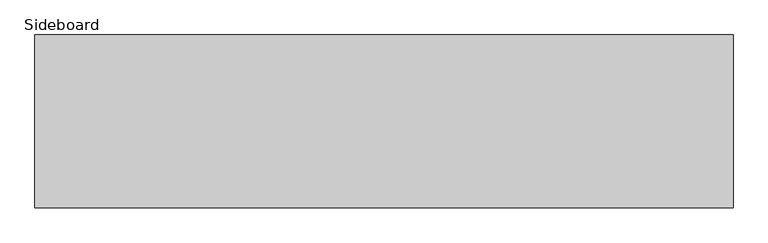
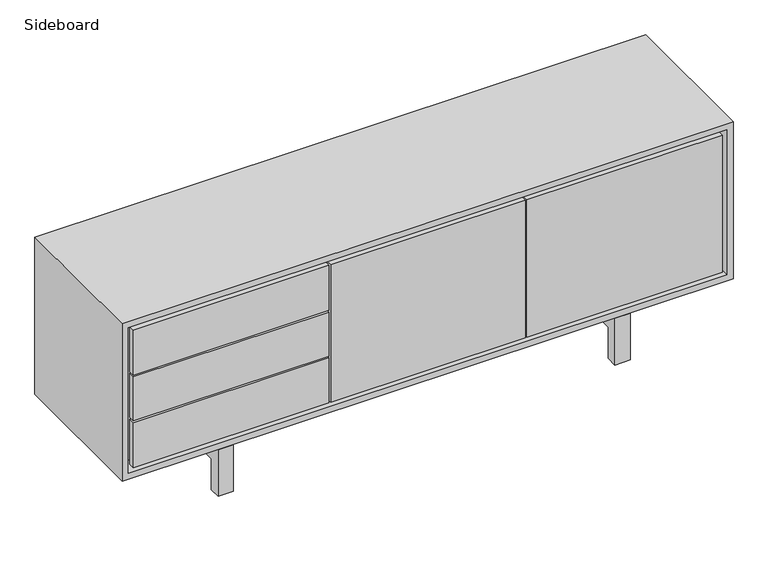
"""IFC4 building model written with IfcOpenShell, lengths in millimetres: furniture geometry, Sideboard."""

import ifcopenshell
import ifcopenshell.guid

model = None  # the IFC model being written
_history = None  # IfcOwnerHistory: only IFC2X3 demands one
_inside = {}  # id of a spatial element -> (the spatial element, [elements in it])
_under = {}  # id of a project, library or spatial element -> (it, [spatial elements below it])
_declared = {}  # id of a project -> (the project, [libraries it declares])
_typed = {}  # id of a type object -> (the type object, [elements of that type])
_made_of = {}  # id of a material, layer set ... -> (it, [elements and type objects made of it])


def new_model(schema):
    """Start an empty IFC model of exactly this schema.

    Asked for "IFC4X3", IfcOpenShell would pick the latest addendum, in which some entities
    have other attributes; the version numbers below select the first issue.
    IFC2X3 requires an IfcOwnerHistory on every rooted entity: one is made here for all.
    """
    global model, _history
    if schema == "IFC4X3":
        model = ifcopenshell.file(schema_version=(4, 3, 0, 0))
    else:
        model = ifcopenshell.file(schema=schema)
    _inside.clear()
    _under.clear()
    _declared.clear()
    _typed.clear()
    _made_of.clear()
    _history = None
    if model.schema == "IFC2X3":
        org = make("IfcOrganization", Name="unknown")
        user = make(
            "IfcPersonAndOrganization",
            ThePerson=make("IfcPerson", FamilyName="unknown"),
            TheOrganization=org,
        )
        app = make(
            "IfcApplication",
            ApplicationDeveloper=org,
            Version="unknown",
            ApplicationFullName="unknown",
            ApplicationIdentifier="unknown",
        )
        _history = make(
            "IfcOwnerHistory",
            OwningUser=user,
            OwningApplication=app,
            ChangeAction="ADDED",
            CreationDate=0,
        )
    return model


def make(cls, **values):
    """One entity of the class cls with the attributes given. An attribute that is None is left unset."""
    return model.create_entity(
        cls, **{name: value for name, value in values.items() if value is not None}
    )


def rooted(cls, **values):
    """An entity with a GlobalId (a new one), such as an element, a storey or a relation."""
    return make(cls, GlobalId=ifcopenshell.guid.new(), OwnerHistory=_history, **values)


def si_unit(unit_type, name, prefix=None):
    """IfcSIUnit, for example si_unit("LENGTHUNIT", "METRE", prefix="MILLI")."""
    return make("IfcSIUnit", UnitType=unit_type, Prefix=prefix, Name=name)


def assignment(units):
    """IfcUnitAssignment: the units of a project."""
    return None if units is None else make("IfcUnitAssignment", Units=units)


def point(xyz):
    """IfcCartesianPoint."""
    return None if xyz is None else make("IfcCartesianPoint", Coordinates=xyz)


def direction(xyz):
    """IfcDirection."""
    return None if xyz is None else make("IfcDirection", DirectionRatios=xyz)


def frame(location, z_axis=None, x_axis=None):
    """IfcAxis2Placement3D, a coordinate frame: its origin and axes. An axis left out is left unset."""
    return make(
        "IfcAxis2Placement3D",
        Location=point(location),
        Axis=direction(z_axis),
        RefDirection=direction(x_axis),
    )


def origin():
    """The frame at (0, 0, 0) with its axes left unset."""
    return frame((0.0, 0.0, 0.0))


def place(relative_to, where):
    """IfcLocalPlacement: puts the frame where relative to a parent placement (None: the world)."""
    return make(
        "IfcLocalPlacement", PlacementRelTo=relative_to, RelativePlacement=where
    )


def context(
    kind, dimensions, precision=None, world=None, true_north=None, identifier=None
):
    """IfcGeometricRepresentationContext, for example the 3D "Model" context."""
    return make(
        "IfcGeometricRepresentationContext",
        ContextIdentifier=identifier,
        ContextType=kind,
        CoordinateSpaceDimension=dimensions,
        Precision=precision,
        WorldCoordinateSystem=world,
        TrueNorth=true_north,
    )


def project(units=None, contexts=None):
    """IfcProject with its units and contexts."""
    return rooted(
        "IfcProject",
        Name="project",
        RepresentationContexts=contexts,
        UnitsInContext=assignment(units),
    )


def spatial(cls, under=None, at=None, **own):
    """A site, building, storey or space (cls), placed at a placement, below another one or the project."""
    s = rooted(cls, ObjectPlacement=at, **own)
    if under is not None:
        _under.setdefault(under.id(), (under, []))[1].append(s)
    return s


def polyline(points):
    """IfcPolyline through the points."""
    return make("IfcPolyline", Points=[point(p) for p in points])


def outline(outer, holes=None, kind="AREA"):
    """IfcArbitraryClosedProfileDef: a profile drawn as a closed curve; with holes, ...WithVoids."""
    if holes is None:
        return make("IfcArbitraryClosedProfileDef", ProfileType=kind, OuterCurve=outer)
    return make(
        "IfcArbitraryProfileDefWithVoids",
        ProfileType=kind,
        OuterCurve=outer,
        InnerCurves=holes,
    )


def extrude(swept, where, along, depth):
    """IfcExtrudedAreaSolid: the profile swept, set in the frame where, extruded along a direction by depth."""
    return make(
        "IfcExtrudedAreaSolid",
        SweptArea=swept,
        Position=where,
        ExtrudedDirection=direction(along),
        Depth=depth,
    )


def faces_of(points, faces, orient=None, outer=None):
    """IfcFace entities. A face is a list of loops; a loop is a list of indices into points, from 0.

    orient and outer hold one flag for each loop. By default every Orientation is true, the
    first loop of a face is its IfcFaceOuterBound and the others are IfcFaceBound.
    """
    made = []
    for i, loops in enumerate(faces):
        bounds = []
        for j, loop in enumerate(loops):
            is_outer = j == 0 if outer is None else outer[i][j]
            bounds.append(
                make(
                    "IfcFaceOuterBound" if is_outer else "IfcFaceBound",
                    Bound=make("IfcPolyLoop", Polygon=[points[k] for k in loop]),
                    Orientation=True if orient is None else orient[i][j],
                )
            )
        made.append(make("IfcFace", Bounds=bounds))
    return made


def faceted_brep(points, faces, orient=None, outer=None, voids=None):
    """IfcFacetedBrep: a solid bounded by flat faces; with voids (closed shells), ...WithVoids."""
    shared = [point(p) for p in points]
    hull = make("IfcClosedShell", CfsFaces=faces_of(shared, faces, orient, outer))
    if voids is None:
        return make("IfcFacetedBrep", Outer=hull)
    return make(
        "IfcFacetedBrepWithVoids",
        Outer=hull,
        Voids=[
            make(cls, CfsFaces=faces_of(shared, fs, o, b)) for cls, fs, o, b in voids
        ],
    )


def shape(context_of_items, identifier, shape_type, items):
    """IfcShapeRepresentation: the items that make up one representation, for example the "Body"."""
    return make(
        "IfcShapeRepresentation",
        ContextOfItems=context_of_items,
        RepresentationIdentifier=identifier,
        RepresentationType=shape_type,
        Items=items,
    )


def source(mapping_origin, context_of_items, identifier, shape_type, items):
    """IfcRepresentationMap: a shape defined once, which mapped items show again and again."""
    return make(
        "IfcRepresentationMap",
        MappingOrigin=mapping_origin,
        MappedRepresentation=shape(context_of_items, identifier, shape_type, items),
    )


def transform(
    local_origin,
    x_axis=None,
    y_axis=None,
    z_axis=None,
    scale=None,
    scale2=None,
    scale3=None,
    uniform=True,
):
    """IfcCartesianTransformationOperator3D, or its non-uniform kind. x_axis, y_axis, z_axis: its Axis1, 2, 3."""
    if uniform:
        return make(
            "IfcCartesianTransformationOperator3D",
            Axis1=direction(x_axis),
            Axis2=direction(y_axis),
            LocalOrigin=point(local_origin),
            Scale=scale,
            Axis3=direction(z_axis),
        )
    return make(
        "IfcCartesianTransformationOperator3DnonUniform",
        Axis1=direction(x_axis),
        Axis2=direction(y_axis),
        LocalOrigin=point(local_origin),
        Scale=scale,
        Axis3=direction(z_axis),
        Scale2=scale2,
        Scale3=scale3,
    )


def mapped(mapping_source, mapping_target):
    """IfcMappedItem: shows the shape of a source again, moved by a transform."""
    return make(
        "IfcMappedItem", MappingSource=mapping_source, MappingTarget=mapping_target
    )


def made_of(thing, what):
    """Note that an element or type object is made of a material, layer set ...; save() writes the relation."""
    if what is not None:
        _made_of.setdefault(what.id(), (what, []))[1].append(thing)
    return thing


def element(
    cls,
    number,
    at=None,
    inside=None,
    cuts=None,
    type_object=None,
    material=None,
    context=None,
    identifier="Body",
    shape_type=None,
    held_by="IfcProductDefinitionShape",
    body=None,
    shapes=None,
    **own,
):
    """One element of the class cls, such as IfcWall. Its Tag is "e" and its number.

    at: its placement. inside: the storey or other place that contains it. cuts: it is an
    opening in that element (IfcRelVoidsElement). A single representation is given by context,
    identifier, shape_type and body (its items); several are given by shapes. held_by: the class
    of the entity that holds the representations. save() writes the other relations.
    """
    e = rooted(cls, Tag="e%d" % number, ObjectPlacement=at, **own)
    if body is not None:
        shapes = [shape(context, identifier, shape_type, body)]
    if shapes is not None:
        e.Representation = make(held_by, Representations=shapes)
    if inside is not None:
        _inside.setdefault(inside.id(), (inside, []))[1].append(e)
    if cuts is not None:
        rooted(
            "IfcRelVoidsElement", RelatingBuildingElement=cuts, RelatedOpeningElement=e
        )
    if type_object is not None:
        _typed.setdefault(type_object.id(), (type_object, []))[1].append(e)
    return made_of(e, material)


def aggregate(whole, parts):
    """IfcRelAggregates: a whole, such as a stair, and the parts it consists of."""
    return rooted("IfcRelAggregates", RelatingObject=whole, RelatedObjects=parts)


def save(model, path):
    """Write the relations noted so far, then the file.

    IfcRelAggregates (storeys below a building ...), IfcRelContainedInSpatialStructure (elements
    in a storey), IfcRelDefinesByType, IfcRelAssociatesMaterial and IfcRelDeclares: one each for
    every whole, place, type object, material and project.
    """
    for whole, parts in _under.values():
        aggregate(whole, parts)
    for where, things in _inside.values():
        rooted(
            "IfcRelContainedInSpatialStructure",
            RelatedElements=things,
            RelatingStructure=where,
        )
    for kind, things in _typed.values():
        rooted("IfcRelDefinesByType", RelatedObjects=things, RelatingType=kind)
    for what, things in _made_of.values():
        rooted("IfcRelAssociatesMaterial", RelatedObjects=things, RelatingMaterial=what)
    for by, libraries in _declared.values():
        rooted("IfcRelDeclares", RelatingContext=by, RelatedDefinitions=libraries)
    model.write(path)


def sideboard_ccc5f632(model_context):
    return source(origin(), model_context, "Body", "SolidModel", [
        extrude(outline(polyline([(1640.1851529, -210.0201924), (1640.1851529, -260.8201924), (379.1148471, -260.8201924), (379.1148471, -210.0201924), (1640.1851529, -210.0201924)])), frame((0.0, 0.0, 109.3614115), z_axis=(0.0, 0.0, 1.0), x_axis=(1.0, 0.0, 0.0)), (0.0, 0.0, 1.0), 71.8608662),
        extrude(outline(polyline([(0.0, 163.750688), (0.0, 0.0), (-38.1, 0.0), (-38.1, 109.3614115), (-442.151863, 109.3614115), (-442.151863, 0.0), (-480.251863, 0.0), (-480.251863, 163.750688), (-265.4060231, 163.750688), (-265.4060231, 181.2222778), (-214.8458172, 181.2222778), (-214.8458172, 163.750688), (0.0, 163.750688)])), frame((1640.1851529, 0.0, 0.0), z_axis=(1.0, 0.0, 0.0), x_axis=(0.0, 1.0, 0.0)), (0.0, 0.0, 1.0), 50.8),
        extrude(outline(polyline([(0.0, 163.750688), (0.0, 0.0), (-38.1, 0.0), (-38.1, 109.3614115), (-442.151863, 109.3614115), (-442.151863, 0.0), (-480.251863, 0.0), (-480.251863, 163.750688), (-265.4060231, 163.750688), (-265.4060231, 181.2222778), (-214.8458172, 181.2222778), (-214.8458172, 163.750688), (0.0, 163.750688)])), frame((328.3148471, 0.0, 0.0), z_axis=(1.0, 0.0, 0.0), x_axis=(0.0, 1.0, 0.0)), (0.0, 0.0, 1.0), 50.8),
        extrude(outline(polyline([(1983.9148993, -500.38), (1337.6592858, -500.38), (1337.6592858, -480.1024199), (1983.9148993, -480.1024199), (1983.9148993, -500.38)])), frame((0.0, 0.0, 215.5424758), z_axis=(0.0, 0.0, 1.0), x_axis=(1.0, 0.0, 0.0)), (0.0, 0.0, 1.0), 480.1372264),
        extrude(outline(polyline([(682.5839383, -500.38), (36.3057983, -500.38), (36.3057983, -480.1024199), (682.5839383, -480.1024199), (682.5839383, -500.38)])), frame((0.0, 0.0, 538.4127028), z_axis=(0.0, 0.0, 1.0), x_axis=(1.0, 0.0, 0.0)), (0.0, 0.0, 1.0), 157.2669994),
        extrude(outline(polyline([(682.5839383, -500.38), (36.3057983, -500.38), (36.3057983, -480.1024199), (682.5839383, -480.1024199), (682.5839383, -500.38)])), frame((0.0, 0.0, 378.3668758), z_axis=(0.0, 0.0, 1.0), x_axis=(1.0, 0.0, 0.0)), (0.0, 0.0, 1.0), 154.488499),
        extrude(outline(polyline([(682.5839383, -500.38), (36.3057983, -500.38), (36.3057983, -480.1024199), (682.5839383, -480.1024199), (682.5839383, -500.38)])), frame((0.0, 0.0, 215.5425121), z_axis=(0.0, 0.0, 1.0), x_axis=(1.0, 0.0, 0.0)), (0.0, 0.0, 1.0), 157.2669994),
        extrude(outline(polyline([(1331.7870326, -500.38), (688.4337014, -500.38), (688.4337014, -480.1024199), (1331.7870326, -480.1024199), (1331.7870326, -500.38)])), frame((0.0, 0.0, 215.5424758), z_axis=(0.0, 0.0, 1.0), x_axis=(1.0, 0.0, 0.0)), (0.0, 0.0, 1.0), 480.1372264),
        faceted_brep([(2019.3, 0.0, 729.999991), (0.0, 0.0, 729.999991), (0.0, -500.38, 729.999991), (2019.3, -500.38, 729.999991), (2019.3, 0.0, 181.2222778), (2019.3, -500.38, 181.2222778), (0.0, -500.38, 181.2222778), (0.0, 0.0, 181.2222778), (20.32, -500.38, 709.679991), (1998.98, -500.38, 709.679991), (1998.98, -500.38, 201.5422778), (20.32, -500.38, 201.5422778), (1998.98, -443.270182, 709.679991), (20.32, -443.270182, 709.679991), (20.32, -443.270182, 201.5422778), (1998.98, -443.270182, 201.5422778)], [[[0, 1, 2, 3]], [[4, 5, 6, 7]], [[1, 0, 4, 7]], [[2, 1, 7, 6]], [[3, 2, 6, 5], [8, 9, 10, 11]], [[0, 3, 5, 4]], [[12, 13, 14, 15]], [[13, 12, 9, 8]], [[14, 13, 8, 11]], [[15, 14, 11, 10]], [[12, 15, 10, 9]]]),
    ])


if __name__ == "__main__":
    model = new_model("IFC4")
    model_context = context("Model", 3, world=origin())
    ifc_project = project(units=[si_unit("LENGTHUNIT", "METRE", prefix="MILLI")], contexts=[model_context])
    site = spatial("IfcSite", under=ifc_project)
    building = spatial("IfcBuilding", under=site)
    placement = place(None, origin())
    sideboard_shape = sideboard_ccc5f632(model_context)
    element("IfcFurniture", 1, ObjectType="Sideboard", at=placement, inside=building, context=model_context, shape_type="MappedRepresentation", body=[
        mapped(sideboard_shape, transform((0.0, 0.0, 0.0), x_axis=(1.0, 0.0, 0.0), y_axis=(0.0, 1.0, 0.0), z_axis=(0.0, 0.0, 1.0))),
    ])
    save(model, "model.ifc")
